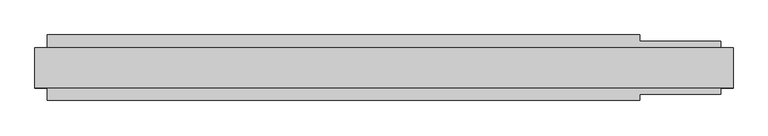
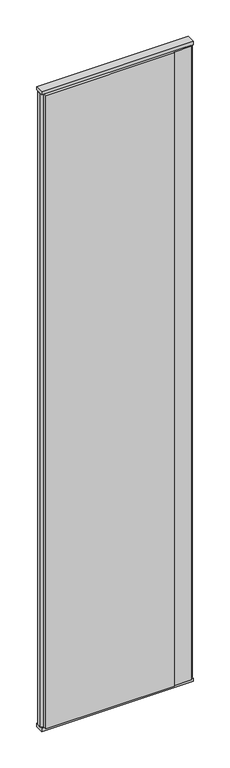
"""IFC4 building model written with IfcOpenShell, lengths in millimetres: plate geometry."""

import ifcopenshell
import ifcopenshell.guid

model = None  # the IFC model being written
_history = None  # IfcOwnerHistory: only IFC2X3 demands one
_inside = {}  # id of a spatial element -> (the spatial element, [elements in it])
_under = {}  # id of a project, library or spatial element -> (it, [spatial elements below it])
_declared = {}  # id of a project -> (the project, [libraries it declares])
_typed = {}  # id of a type object -> (the type object, [elements of that type])
_made_of = {}  # id of a material, layer set ... -> (it, [elements and type objects made of it])


def new_model(schema):
    """Start an empty IFC model of exactly this schema.

    Asked for "IFC4X3", IfcOpenShell would pick the latest addendum, in which some entities
    have other attributes; the version numbers below select the first issue.
    IFC2X3 requires an IfcOwnerHistory on every rooted entity: one is made here for all.
    """
    global model, _history
    if schema == "IFC4X3":
        model = ifcopenshell.file(schema_version=(4, 3, 0, 0))
    else:
        model = ifcopenshell.file(schema=schema)
    _inside.clear()
    _under.clear()
    _declared.clear()
    _typed.clear()
    _made_of.clear()
    _history = None
    if model.schema == "IFC2X3":
        org = make("IfcOrganization", Name="unknown")
        user = make(
            "IfcPersonAndOrganization",
            ThePerson=make("IfcPerson", FamilyName="unknown"),
            TheOrganization=org,
        )
        app = make(
            "IfcApplication",
            ApplicationDeveloper=org,
            Version="unknown",
            ApplicationFullName="unknown",
            ApplicationIdentifier="unknown",
        )
        _history = make(
            "IfcOwnerHistory",
            OwningUser=user,
            OwningApplication=app,
            ChangeAction="ADDED",
            CreationDate=0,
        )
    return model


def make(cls, **values):
    """One entity of the class cls with the attributes given. An attribute that is None is left unset."""
    return model.create_entity(
        cls, **{name: value for name, value in values.items() if value is not None}
    )


def rooted(cls, **values):
    """An entity with a GlobalId (a new one), such as an element, a storey or a relation."""
    return make(cls, GlobalId=ifcopenshell.guid.new(), OwnerHistory=_history, **values)


def si_unit(unit_type, name, prefix=None):
    """IfcSIUnit, for example si_unit("LENGTHUNIT", "METRE", prefix="MILLI")."""
    return make("IfcSIUnit", UnitType=unit_type, Prefix=prefix, Name=name)


def assignment(units):
    """IfcUnitAssignment: the units of a project."""
    return None if units is None else make("IfcUnitAssignment", Units=units)


def point(xyz):
    """IfcCartesianPoint."""
    return None if xyz is None else make("IfcCartesianPoint", Coordinates=xyz)


def direction(xyz):
    """IfcDirection."""
    return None if xyz is None else make("IfcDirection", DirectionRatios=xyz)


def frame(location, z_axis=None, x_axis=None):
    """IfcAxis2Placement3D, a coordinate frame: its origin and axes. An axis left out is left unset."""
    return make(
        "IfcAxis2Placement3D",
        Location=point(location),
        Axis=direction(z_axis),
        RefDirection=direction(x_axis),
    )


def origin():
    """The frame at (0, 0, 0) with its axes left unset."""
    return frame((0.0, 0.0, 0.0))


def origin_with_axes():
    """The frame at (0, 0, 0) with the z axis (0, 0, 1) and the x axis (1, 0, 0) written out."""
    return frame((0.0, 0.0, 0.0), z_axis=(0.0, 0.0, 1.0), x_axis=(1.0, 0.0, 0.0))


def place(relative_to, where):
    """IfcLocalPlacement: puts the frame where relative to a parent placement (None: the world)."""
    return make(
        "IfcLocalPlacement", PlacementRelTo=relative_to, RelativePlacement=where
    )


def context(
    kind, dimensions, precision=None, world=None, true_north=None, identifier=None
):
    """IfcGeometricRepresentationContext, for example the 3D "Model" context."""
    return make(
        "IfcGeometricRepresentationContext",
        ContextIdentifier=identifier,
        ContextType=kind,
        CoordinateSpaceDimension=dimensions,
        Precision=precision,
        WorldCoordinateSystem=world,
        TrueNorth=true_north,
    )


def project(units=None, contexts=None):
    """IfcProject with its units and contexts."""
    return rooted(
        "IfcProject",
        Name="project",
        RepresentationContexts=contexts,
        UnitsInContext=assignment(units),
    )


def spatial(cls, under=None, at=None, **own):
    """A site, building, storey or space (cls), placed at a placement, below another one or the project."""
    s = rooted(cls, ObjectPlacement=at, **own)
    if under is not None:
        _under.setdefault(under.id(), (under, []))[1].append(s)
    return s


def polyline(points):
    """IfcPolyline through the points."""
    return make("IfcPolyline", Points=[point(p) for p in points])


def outline(outer, holes=None, kind="AREA"):
    """IfcArbitraryClosedProfileDef: a profile drawn as a closed curve; with holes, ...WithVoids."""
    if holes is None:
        return make("IfcArbitraryClosedProfileDef", ProfileType=kind, OuterCurve=outer)
    return make(
        "IfcArbitraryProfileDefWithVoids",
        ProfileType=kind,
        OuterCurve=outer,
        InnerCurves=holes,
    )


def extrude(swept, where, along, depth):
    """IfcExtrudedAreaSolid: the profile swept, set in the frame where, extruded along a direction by depth."""
    return make(
        "IfcExtrudedAreaSolid",
        SweptArea=swept,
        Position=where,
        ExtrudedDirection=direction(along),
        Depth=depth,
    )


def shape(context_of_items, identifier, shape_type, items):
    """IfcShapeRepresentation: the items that make up one representation, for example the "Body"."""
    return make(
        "IfcShapeRepresentation",
        ContextOfItems=context_of_items,
        RepresentationIdentifier=identifier,
        RepresentationType=shape_type,
        Items=items,
    )


def source(mapping_origin, context_of_items, identifier, shape_type, items):
    """IfcRepresentationMap: a shape defined once, which mapped items show again and again."""
    return make(
        "IfcRepresentationMap",
        MappingOrigin=mapping_origin,
        MappedRepresentation=shape(context_of_items, identifier, shape_type, items),
    )


def transform(
    local_origin,
    x_axis=None,
    y_axis=None,
    z_axis=None,
    scale=None,
    scale2=None,
    scale3=None,
    uniform=True,
):
    """IfcCartesianTransformationOperator3D, or its non-uniform kind. x_axis, y_axis, z_axis: its Axis1, 2, 3."""
    if uniform:
        return make(
            "IfcCartesianTransformationOperator3D",
            Axis1=direction(x_axis),
            Axis2=direction(y_axis),
            LocalOrigin=point(local_origin),
            Scale=scale,
            Axis3=direction(z_axis),
        )
    return make(
        "IfcCartesianTransformationOperator3DnonUniform",
        Axis1=direction(x_axis),
        Axis2=direction(y_axis),
        LocalOrigin=point(local_origin),
        Scale=scale,
        Axis3=direction(z_axis),
        Scale2=scale2,
        Scale3=scale3,
    )


def mapped(mapping_source, mapping_target):
    """IfcMappedItem: shows the shape of a source again, moved by a transform."""
    return make(
        "IfcMappedItem", MappingSource=mapping_source, MappingTarget=mapping_target
    )


def made_of(thing, what):
    """Note that an element or type object is made of a material, layer set ...; save() writes the relation."""
    if what is not None:
        _made_of.setdefault(what.id(), (what, []))[1].append(thing)
    return thing


def element(
    cls,
    number,
    at=None,
    inside=None,
    cuts=None,
    type_object=None,
    material=None,
    context=None,
    identifier="Body",
    shape_type=None,
    held_by="IfcProductDefinitionShape",
    body=None,
    shapes=None,
    **own,
):
    """One element of the class cls, such as IfcWall. Its Tag is "e" and its number.

    at: its placement. inside: the storey or other place that contains it. cuts: it is an
    opening in that element (IfcRelVoidsElement). A single representation is given by context,
    identifier, shape_type and body (its items); several are given by shapes. held_by: the class
    of the entity that holds the representations. save() writes the other relations.
    """
    e = rooted(cls, Tag="e%d" % number, ObjectPlacement=at, **own)
    if body is not None:
        shapes = [shape(context, identifier, shape_type, body)]
    if shapes is not None:
        e.Representation = make(held_by, Representations=shapes)
    if inside is not None:
        _inside.setdefault(inside.id(), (inside, []))[1].append(e)
    if cuts is not None:
        rooted(
            "IfcRelVoidsElement", RelatingBuildingElement=cuts, RelatedOpeningElement=e
        )
    if type_object is not None:
        _typed.setdefault(type_object.id(), (type_object, []))[1].append(e)
    return made_of(e, material)


def aggregate(whole, parts):
    """IfcRelAggregates: a whole, such as a stair, and the parts it consists of."""
    return rooted("IfcRelAggregates", RelatingObject=whole, RelatedObjects=parts)


def save(model, path):
    """Write the relations noted so far, then the file.

    IfcRelAggregates (storeys below a building ...), IfcRelContainedInSpatialStructure (elements
    in a storey), IfcRelDefinesByType, IfcRelAssociatesMaterial and IfcRelDeclares: one each for
    every whole, place, type object, material and project.
    """
    for whole, parts in _under.values():
        aggregate(whole, parts)
    for where, things in _inside.values():
        rooted(
            "IfcRelContainedInSpatialStructure",
            RelatedElements=things,
            RelatingStructure=where,
        )
    for kind, things in _typed.values():
        rooted("IfcRelDefinesByType", RelatedObjects=things, RelatingType=kind)
    for what, things in _made_of.values():
        rooted("IfcRelAssociatesMaterial", RelatedObjects=things, RelatingMaterial=what)
    for by, libraries in _declared.values():
        rooted("IfcRelDeclares", RelatingContext=by, RelatedDefinitions=libraries)
    model.write(path)


def plate_7cf14198(model_context):
    return source(origin(), model_context, "Body", "SweptSolid", [
        extrude(outline(polyline([(410.5, 52.5), (410.5, 42.5), (540.5, 42.5), (540.5, 22.9993165), (560.5, 17.6401049), (560.5, -17.6401049), (540.5, -22.9993165), (540.5, -42.5), (410.5, -42.5), (410.5, -52.5), (-540.5, -52.5), (-540.5, -22.9993165), (-560.5, -17.6401049), (-560.5, 17.6401049), (-540.5, 22.9993165), (-540.5, 52.5), (410.5, 52.5)])), frame((0.0, 0.0, 25.0), z_axis=(0.0, 0.0, 1.0), x_axis=(1.0, 0.0, 0.0)), (0.0, 0.0, 1.0), 4950.0),
        extrude(outline(polyline([(560.5, 32.0), (560.5, -32.0), (-560.5, -32.0), (-560.5, 32.0), (560.5, 32.0)])), origin_with_axes(), (0.0, 0.0, 1.0), 25.0),
        extrude(outline(polyline([(560.5, 32.0), (560.5, -32.0), (-560.5, -32.0), (-560.5, 32.0), (560.5, 32.0)])), frame((0.0, 0.0, 4975.0), z_axis=(0.0, 0.0, 1.0), x_axis=(1.0, 0.0, 0.0)), (0.0, 0.0, 1.0), 25.0),
    ])


if __name__ == "__main__":
    model = new_model("IFC4")
    model_context = context("Model", 3, world=origin())
    ifc_project = project(units=[si_unit("LENGTHUNIT", "METRE", prefix="MILLI")], contexts=[model_context])
    site = spatial("IfcSite", under=ifc_project)
    building = spatial("IfcBuilding", under=site)
    placement = place(None, origin())
    plate_shape = plate_7cf14198(model_context)
    element("IfcPlate", 1, at=placement, inside=building, context=model_context, shape_type="MappedRepresentation", body=[
        mapped(plate_shape, transform((0.0, 0.0, 0.0), x_axis=(1.0, 0.0, 0.0), y_axis=(0.0, 1.0, 0.0), z_axis=(0.0, 0.0, 1.0))),
    ])
    save(model, "model.ifc")
